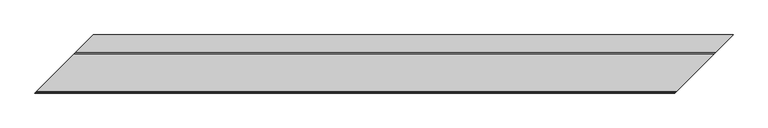
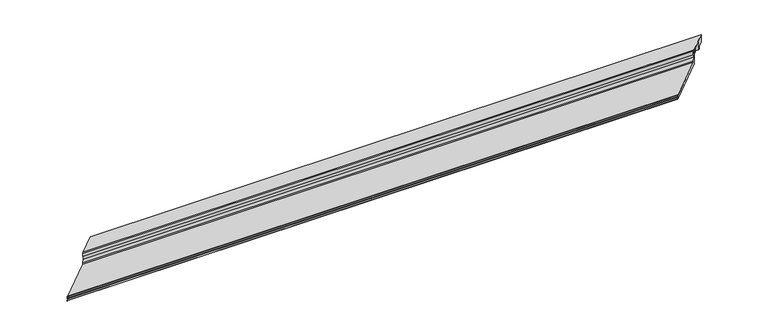
"""IFC4 building model written with IfcOpenShell, lengths in millimetres: proxy geometry."""

import ifcopenshell
import ifcopenshell.guid

model = None  # the IFC model being written
_history = None  # IfcOwnerHistory: only IFC2X3 demands one
_inside = {}  # id of a spatial element -> (the spatial element, [elements in it])
_under = {}  # id of a project, library or spatial element -> (it, [spatial elements below it])
_declared = {}  # id of a project -> (the project, [libraries it declares])
_typed = {}  # id of a type object -> (the type object, [elements of that type])
_made_of = {}  # id of a material, layer set ... -> (it, [elements and type objects made of it])


def new_model(schema):
    """Start an empty IFC model of exactly this schema.

    Asked for "IFC4X3", IfcOpenShell would pick the latest addendum, in which some entities
    have other attributes; the version numbers below select the first issue.
    IFC2X3 requires an IfcOwnerHistory on every rooted entity: one is made here for all.
    """
    global model, _history
    if schema == "IFC4X3":
        model = ifcopenshell.file(schema_version=(4, 3, 0, 0))
    else:
        model = ifcopenshell.file(schema=schema)
    _inside.clear()
    _under.clear()
    _declared.clear()
    _typed.clear()
    _made_of.clear()
    _history = None
    if model.schema == "IFC2X3":
        org = make("IfcOrganization", Name="unknown")
        user = make(
            "IfcPersonAndOrganization",
            ThePerson=make("IfcPerson", FamilyName="unknown"),
            TheOrganization=org,
        )
        app = make(
            "IfcApplication",
            ApplicationDeveloper=org,
            Version="unknown",
            ApplicationFullName="unknown",
            ApplicationIdentifier="unknown",
        )
        _history = make(
            "IfcOwnerHistory",
            OwningUser=user,
            OwningApplication=app,
            ChangeAction="ADDED",
            CreationDate=0,
        )
    return model


def make(cls, **values):
    """One entity of the class cls with the attributes given. An attribute that is None is left unset."""
    return model.create_entity(
        cls, **{name: value for name, value in values.items() if value is not None}
    )


def rooted(cls, **values):
    """An entity with a GlobalId (a new one), such as an element, a storey or a relation."""
    return make(cls, GlobalId=ifcopenshell.guid.new(), OwnerHistory=_history, **values)


def si_unit(unit_type, name, prefix=None):
    """IfcSIUnit, for example si_unit("LENGTHUNIT", "METRE", prefix="MILLI")."""
    return make("IfcSIUnit", UnitType=unit_type, Prefix=prefix, Name=name)


def assignment(units):
    """IfcUnitAssignment: the units of a project."""
    return None if units is None else make("IfcUnitAssignment", Units=units)


def point(xyz):
    """IfcCartesianPoint."""
    return None if xyz is None else make("IfcCartesianPoint", Coordinates=xyz)


def direction(xyz):
    """IfcDirection."""
    return None if xyz is None else make("IfcDirection", DirectionRatios=xyz)


def frame(location, z_axis=None, x_axis=None):
    """IfcAxis2Placement3D, a coordinate frame: its origin and axes. An axis left out is left unset."""
    return make(
        "IfcAxis2Placement3D",
        Location=point(location),
        Axis=direction(z_axis),
        RefDirection=direction(x_axis),
    )


def origin():
    """The frame at (0, 0, 0) with its axes left unset."""
    return frame((0.0, 0.0, 0.0))


def place(relative_to, where):
    """IfcLocalPlacement: puts the frame where relative to a parent placement (None: the world)."""
    return make(
        "IfcLocalPlacement", PlacementRelTo=relative_to, RelativePlacement=where
    )


def context(
    kind, dimensions, precision=None, world=None, true_north=None, identifier=None
):
    """IfcGeometricRepresentationContext, for example the 3D "Model" context."""
    return make(
        "IfcGeometricRepresentationContext",
        ContextIdentifier=identifier,
        ContextType=kind,
        CoordinateSpaceDimension=dimensions,
        Precision=precision,
        WorldCoordinateSystem=world,
        TrueNorth=true_north,
    )


def project(units=None, contexts=None):
    """IfcProject with its units and contexts."""
    return rooted(
        "IfcProject",
        Name="project",
        RepresentationContexts=contexts,
        UnitsInContext=assignment(units),
    )


def spatial(cls, under=None, at=None, **own):
    """A site, building, storey or space (cls), placed at a placement, below another one or the project."""
    s = rooted(cls, ObjectPlacement=at, **own)
    if under is not None:
        _under.setdefault(under.id(), (under, []))[1].append(s)
    return s


def polyline(points):
    """IfcPolyline through the points."""
    return make("IfcPolyline", Points=[point(p) for p in points])


def ellipse_curve(where, semi_axis1, semi_axis2):
    """IfcEllipse in the frame where."""
    return make(
        "IfcEllipse", Position=where, SemiAxis1=semi_axis1, SemiAxis2=semi_axis2
    )


def faces_of(points, faces, orient=None, outer=None):
    """IfcFace entities. A face is a list of loops; a loop is a list of indices into points, from 0.

    orient and outer hold one flag for each loop. By default every Orientation is true, the
    first loop of a face is its IfcFaceOuterBound and the others are IfcFaceBound.
    """
    made = []
    for i, loops in enumerate(faces):
        bounds = []
        for j, loop in enumerate(loops):
            is_outer = j == 0 if outer is None else outer[i][j]
            bounds.append(
                make(
                    "IfcFaceOuterBound" if is_outer else "IfcFaceBound",
                    Bound=make("IfcPolyLoop", Polygon=[points[k] for k in loop]),
                    Orientation=True if orient is None else orient[i][j],
                )
            )
        made.append(make("IfcFace", Bounds=bounds))
    return made


def faceted_brep(points, faces, orient=None, outer=None, voids=None):
    """IfcFacetedBrep: a solid bounded by flat faces; with voids (closed shells), ...WithVoids."""
    shared = [point(p) for p in points]
    hull = make("IfcClosedShell", CfsFaces=faces_of(shared, faces, orient, outer))
    if voids is None:
        return make("IfcFacetedBrep", Outer=hull)
    return make(
        "IfcFacetedBrepWithVoids",
        Outer=hull,
        Voids=[
            make(cls, CfsFaces=faces_of(shared, fs, o, b)) for cls, fs, o, b in voids
        ],
    )


def shape(context_of_items, identifier, shape_type, items):
    """IfcShapeRepresentation: the items that make up one representation, for example the "Body"."""
    return make(
        "IfcShapeRepresentation",
        ContextOfItems=context_of_items,
        RepresentationIdentifier=identifier,
        RepresentationType=shape_type,
        Items=items,
    )


def source(mapping_origin, context_of_items, identifier, shape_type, items):
    """IfcRepresentationMap: a shape defined once, which mapped items show again and again."""
    return make(
        "IfcRepresentationMap",
        MappingOrigin=mapping_origin,
        MappedRepresentation=shape(context_of_items, identifier, shape_type, items),
    )


def transform(
    local_origin,
    x_axis=None,
    y_axis=None,
    z_axis=None,
    scale=None,
    scale2=None,
    scale3=None,
    uniform=True,
):
    """IfcCartesianTransformationOperator3D, or its non-uniform kind. x_axis, y_axis, z_axis: its Axis1, 2, 3."""
    if uniform:
        return make(
            "IfcCartesianTransformationOperator3D",
            Axis1=direction(x_axis),
            Axis2=direction(y_axis),
            LocalOrigin=point(local_origin),
            Scale=scale,
            Axis3=direction(z_axis),
        )
    return make(
        "IfcCartesianTransformationOperator3DnonUniform",
        Axis1=direction(x_axis),
        Axis2=direction(y_axis),
        LocalOrigin=point(local_origin),
        Scale=scale,
        Axis3=direction(z_axis),
        Scale2=scale2,
        Scale3=scale3,
    )


def mapped(mapping_source, mapping_target):
    """IfcMappedItem: shows the shape of a source again, moved by a transform."""
    return make(
        "IfcMappedItem", MappingSource=mapping_source, MappingTarget=mapping_target
    )


def made_of(thing, what):
    """Note that an element or type object is made of a material, layer set ...; save() writes the relation."""
    if what is not None:
        _made_of.setdefault(what.id(), (what, []))[1].append(thing)
    return thing


def element(
    cls,
    number,
    at=None,
    inside=None,
    cuts=None,
    type_object=None,
    material=None,
    context=None,
    identifier="Body",
    shape_type=None,
    held_by="IfcProductDefinitionShape",
    body=None,
    shapes=None,
    **own,
):
    """One element of the class cls, such as IfcWall. Its Tag is "e" and its number.

    at: its placement. inside: the storey or other place that contains it. cuts: it is an
    opening in that element (IfcRelVoidsElement). A single representation is given by context,
    identifier, shape_type and body (its items); several are given by shapes. held_by: the class
    of the entity that holds the representations. save() writes the other relations.
    """
    e = rooted(cls, Tag="e%d" % number, ObjectPlacement=at, **own)
    if body is not None:
        shapes = [shape(context, identifier, shape_type, body)]
    if shapes is not None:
        e.Representation = make(held_by, Representations=shapes)
    if inside is not None:
        _inside.setdefault(inside.id(), (inside, []))[1].append(e)
    if cuts is not None:
        rooted(
            "IfcRelVoidsElement", RelatingBuildingElement=cuts, RelatedOpeningElement=e
        )
    if type_object is not None:
        _typed.setdefault(type_object.id(), (type_object, []))[1].append(e)
    return made_of(e, material)


def aggregate(whole, parts):
    """IfcRelAggregates: a whole, such as a stair, and the parts it consists of."""
    return rooted("IfcRelAggregates", RelatingObject=whole, RelatedObjects=parts)


def save(model, path):
    """Write the relations noted so far, then the file.

    IfcRelAggregates (storeys below a building ...), IfcRelContainedInSpatialStructure (elements
    in a storey), IfcRelDefinesByType, IfcRelAssociatesMaterial and IfcRelDeclares: one each for
    every whole, place, type object, material and project.
    """
    for whole, parts in _under.values():
        aggregate(whole, parts)
    for where, things in _inside.values():
        rooted(
            "IfcRelContainedInSpatialStructure",
            RelatedElements=things,
            RelatingStructure=where,
        )
    for kind, things in _typed.values():
        rooted("IfcRelDefinesByType", RelatedObjects=things, RelatingType=kind)
    for what, things in _made_of.values():
        rooted("IfcRelAssociatesMaterial", RelatedObjects=things, RelatingMaterial=what)
    for by, libraries in _declared.values():
        rooted("IfcRelDeclares", RelatingContext=by, RelatedDefinitions=libraries)
    model.write(path)


def plane_surface(at):
    """IfcPlane: the flat surface through the origin of the frame at, square to its z axis."""
    return make("IfcPlane", Position=at)


def cylinder_surface(at, radius):
    """IfcCylindricalSurface: all points at the distance radius from the z axis of the frame at."""
    return make("IfcCylindricalSurface", Position=at, Radius=radius)


def revolved_surface(curve, axis_point, axis_direction):
    """IfcSurfaceOfRevolution: the curve turned about the line through axis_point along axis_direction."""
    return make(
        "IfcSurfaceOfRevolution",
        SweptCurve=make("IfcArbitraryOpenProfileDef", ProfileType="CURVE", Curve=curve),
        AxisPosition=make("IfcAxis1Placement", Location=point(axis_point), Axis=direction(axis_direction)),
    )


def advanced_brep(points, edges, surfaces, faces):
    """IfcAdvancedBrep: a solid bounded by faces that lie on surfaces and meet in shared edges.

    An edge is (start, end): straight between two places in points (the first is 0);
    or (start, end, curve); or (start, end, curve, False) where it runs against its curve.
    A face is (place in surfaces, loops), or (place, loops, False) where it looks against
    its surface's normal. A loop lists edges by number (the first is 1), with a minus sign
    where the edge is run from its end to its start. The first loop is the outer one.
    """
    corners = [point(p) for p in points]
    vertices = [make("IfcVertexPoint", VertexGeometry=c) for c in corners]
    made = []
    for start, end, *more in edges:
        made.append(
            make(
                "IfcEdgeCurve",
                EdgeStart=vertices[start],
                EdgeEnd=vertices[end],
                EdgeGeometry=more[0] if more else make("IfcPolyline", Points=[corners[start], corners[end]]),
                SameSense=more[1] if len(more) > 1 else True,
            )
        )
    hull = []
    for where, loops, *sense in faces:
        bounds = []
        for j, loop in enumerate(loops):
            ring = [make("IfcOrientedEdge", EdgeElement=made[abs(k) - 1], Orientation=k > 0) for k in loop]
            bounds.append(
                make(
                    "IfcFaceOuterBound" if j == 0 else "IfcFaceBound",
                    Bound=make("IfcEdgeLoop", EdgeList=ring),
                    Orientation=True,
                )
            )
        hull.append(make("IfcAdvancedFace", Bounds=bounds, FaceSurface=surfaces[where], SameSense=sense[0] if sense else True))
    return make("IfcAdvancedBrep", Outer=make("IfcClosedShell", CfsFaces=hull))


def specialty_equipment_c6cf6660(model_context):
    return source(origin(), model_context, "Body", "SolidModel", [
        faceted_brep([(165.632524, 165.632524, 63.5), (235.482524, 235.482524, 63.5), (235.482524, 235.482524, 31.75), (215.241899, 215.241899, 31.75), (215.241899, 215.241899, 19.05), (212.9598677, 212.9598677, 19.05), (212.9598677, 212.9598677, 61.1898306), (175.284524, 175.284524, 61.1898306), (175.284524, 175.284524, 44.45), (165.632524, 165.632524, 44.45), (2826.222374, 235.482524, 63.5), (2756.372374, 165.632524, 63.5), (2756.372374, 165.632524, 44.45), (2766.024374, 175.284524, 44.45), (2766.024374, 175.284524, 61.1898306), (2803.6997178, 212.9598677, 61.1898306), (2803.6997178, 212.9598677, 19.05), (2805.981749, 215.241899, 19.05), (2805.981749, 215.241899, 31.75), (2826.222374, 235.482524, 31.75)], [[[0, 1, 2, 3, 4, 5, 6, 7, 8, 9]], [[10, 11, 12, 13, 14, 15, 16, 17, 18, 19]], [[10, 1, 0, 11]], [[11, 0, 9, 12]], [[12, 9, 8, 13]], [[13, 8, 7, 14]], [[14, 7, 6, 15]], [[15, 6, 5, 16]], [[16, 5, 4, 17]], [[17, 4, 3, 18]], [[18, 3, 2, 19]], [[1, 10, 19, 2]]]),
        advanced_brep(
        [(165.632524, 165.632524, 0.0), (0.0, 0.0, 0.0), (0.0, 0.0, 1.651), (8.368424, 8.368424, 1.7970714), (8.368424, 8.368424, 9.7466904), (7.805541, 7.805541, 10.3095735), (1.0402986, 1.0402986, 10.3095735), (0.5832573, 0.5832573, 11.0269846), (2.843924, 2.843924, 15.875), (5.206124, 5.206124, 15.875), (5.206124, 5.206124, 12.7), (159.282524, 159.282524, 12.7), (159.282524, 159.282524, 19.05), (163.346524, 163.346524, 31.75), (163.346524, 163.346524, 46.0298451), (158.495124, 158.495124, 48.3942822), (158.495124, 158.495124, 63.5), (165.632524, 165.632524, 63.5), (2590.7398501, 0.0, 0.0), (2756.372374, 165.632524, 0.0), (2756.372374, 165.632524, 63.5), (2749.234974, 158.495124, 63.5), (2749.234974, 158.495124, 48.3942822), (2754.086374, 163.346524, 46.0298451), (2754.086374, 163.346524, 31.75), (2750.022374, 159.282524, 19.05), (2750.022374, 159.282524, 12.7), (2595.945974, 5.206124, 12.7), (2595.945974, 5.206124, 15.875), (2593.583774, 2.843924, 15.875), (2591.3231073, 0.5832573, 11.0269846), (2591.7801487, 1.0402986, 10.3095735), (2598.545391, 7.805541, 10.3095735), (2599.108274, 8.368424, 9.7466904), (2599.108274, 8.368424, 1.7970714), (2590.7398501, 0.0, 1.651)],
        [
            (0, 1),
            (1, 2),
            (2, 3),
            (3, 4),
            (4, 5, ellipse_curve(frame((7.805541, 7.805541, 9.7466904), z_axis=(0.7071067811865485, -0.7071067811865466, 0.0), x_axis=(0.7071067811865466, 0.7071067811865485, 0.0)), 0.7960368, 0.562883)),
            (5, 6),
            (6, 7, ellipse_curve(frame((1.0402986, 1.0402986, 10.8138628), z_axis=(-0.7071067811865485, 0.7071067811865466, 0.0), x_axis=(-0.7071067811865466, -0.7071067811865485, 0.0)), 0.7131728, 0.5042893)),
            (7, 8),
            (8, 9),
            (9, 10),
            (10, 11),
            (11, 12),
            (12, 13),
            (13, 14),
            (14, 15),
            (15, 16),
            (16, 17),
            (17, 0),
            (18, 19),
            (19, 20),
            (20, 21),
            (21, 22),
            (22, 23),
            (23, 24),
            (24, 25),
            (25, 26),
            (26, 27),
            (27, 28),
            (28, 29),
            (29, 30),
            (30, 31, ellipse_curve(frame((2591.7801487, 1.0402986, 10.8138628), z_axis=(0.7071067811865469, -0.7071067811865482, 0.0), x_axis=(-0.707106781186548, -0.7071067811865469, 0.0)), 0.7131728, 0.5042893)),
            (31, 32),
            (32, 33, ellipse_curve(frame((2598.545391, 7.805541, 9.7466904), z_axis=(-0.7071067811865469, 0.7071067811865482, 0.0), x_axis=(0.707106781186548, 0.7071067811865469, 0.0)), 0.7960368, 0.562883)),
            (33, 34),
            (34, 35),
            (35, 18),
            (0, 19),
            (18, 1),
            (35, 2),
            (34, 3),
            (33, 4),
            (32, 5),
            (31, 6),
            (30, 7),
            (29, 8),
            (28, 9),
            (27, 10),
            (26, 11),
            (25, 12),
            (24, 13),
            (23, 14),
            (22, 15),
            (21, 16),
            (20, 17),
        ],
        [
            plane_surface(frame((0.0, 0.0, 304.8), z_axis=(-0.7071067811865485, 0.7071067811865466, 0.0), x_axis=(0.0, 0.0, -1.0))),
            plane_surface(frame((3098.7398501, 508.0, 304.8), z_axis=(0.7071067811865469, -0.7071067811865482, 0.0), x_axis=(0.0, 0.0, -1.0))),
            plane_surface(frame((-406.4, 165.632524, 0.0), z_axis=(0.0, 0.0, -1.0), x_axis=(1.0, 0.0, 0.0))),
            plane_surface(frame((-406.4, 0.0, 0.0), z_axis=(0.0, -1.0, 0.0), x_axis=(1.0, 0.0, 0.0))),
            plane_surface(frame((-406.4, 0.0, 1.651), z_axis=(0.0, -0.01745240643728535, 0.9998476951563913), x_axis=(1.0, 0.0, 0.0))),
            plane_surface(frame((-406.4, 8.368424, 1.7970714), z_axis=(0.0, -1.0, 0.0), x_axis=(1.0, 0.0, 0.0))),
            revolved_surface(polyline([(2599.108274019354, 8.368424, 9.7466904), (7.242657980645959, 8.368424, 9.7466904)]), (-406.4, 7.805541, 9.7466904), (1.0, 0.0, 0.0)),
            plane_surface(frame((-406.4, 7.805541, 10.3095735), z_axis=(0.0, 0.0, -1.0), x_axis=(1.0, 0.0, 0.0))),
            cylinder_surface(frame((-406.4, 1.0402986, 10.8138628), z_axis=(-1.0, 0.0, 0.0), x_axis=(0.0, 1.0, 0.0)), 0.5042893),
            plane_surface(frame((-406.4, 0.5832573, 11.0269846), z_axis=(0.0, -0.9063077870366325, 0.4226182617407369), x_axis=(1.0, 0.0, 0.0))),
            plane_surface(frame((-406.4, 2.843924, 15.875), z_axis=(0.0, 0.0, 1.0), x_axis=(1.0, 0.0, 0.0))),
            plane_surface(frame((-406.4, 5.206124, 15.875), z_axis=(0.0, 1.0, 0.0), x_axis=(1.0, 0.0, 0.0))),
            plane_surface(frame((-406.4, 5.206124, 12.7), z_axis=(0.0, 0.0, 1.0), x_axis=(1.0, 0.0, 0.0))),
            plane_surface(frame((-406.4, 159.282524, 12.7), z_axis=(0.0, -1.0, 0.0), x_axis=(1.0, 0.0, 0.0))),
            plane_surface(frame((-406.4, 159.282524, 19.05), z_axis=(0.0, -0.9524241471993259, 0.3047757271037786), x_axis=(1.0, 0.0, 0.0))),
            plane_surface(frame((-406.4, 163.346524, 31.75), z_axis=(0.0, -1.0, 0.0), x_axis=(1.0, 0.0, 0.0))),
            plane_surface(frame((-406.4, 163.346524, 46.0298451), z_axis=(0.0, -0.4381093610951833, -0.8989216805266022), x_axis=(1.0, 0.0, 0.0))),
            plane_surface(frame((-406.4, 158.495124, 48.3942822), z_axis=(0.0, -1.0, 0.0), x_axis=(1.0, 0.0, 0.0))),
            plane_surface(frame((-406.4, 158.495124, 63.5), z_axis=(0.0, 0.0, 1.0), x_axis=(1.0, 0.0, 0.0))),
            plane_surface(frame((-406.4, 165.632524, 63.5), z_axis=(0.0, 1.0, 0.0), x_axis=(1.0, 0.0, 0.0))),
        ],
        [
            (0, [[1, 2, 3, 4, 5, 6, 7, 8, 9, 10, 11, 12, 13, 14, 15, 16, 17, 18]]),
            (1, [[19, 20, 21, 22, 23, 24, 25, 26, 27, 28, 29, 30, 31, 32, 33, 34, 35, 36]]),
            (2, [[37, -19, 38, -1]]),
            (3, [[-38, -36, 39, -2]]),
            (4, [[-39, -35, 40, -3]]),
            (5, [[-40, -34, 41, -4]]),
            (6, [[-41, -33, 42, -5]]),
            (7, [[-42, -32, 43, -6]]),
            (8, [[-43, -31, 44, -7]]),
            (9, [[-44, -30, 45, -8]]),
            (10, [[-45, -29, 46, -9]]),
            (11, [[-46, -28, 47, -10]]),
            (12, [[-47, -27, 48, -11]]),
            (13, [[-48, -26, 49, -12]]),
            (14, [[-49, -25, 50, -13]]),
            (15, [[-50, -24, 51, -14]]),
            (16, [[-51, -23, 52, -15]]),
            (17, [[-52, -22, 53, -16]]),
            (18, [[-53, -21, 54, -17]]),
            (19, [[-37, -18, -54, -20]]),
        ],
    ),
    ])


if __name__ == "__main__":
    model = new_model("IFC4")
    model_context = context("Model", 3, world=origin())
    ifc_project = project(units=[si_unit("LENGTHUNIT", "METRE", prefix="MILLI")], contexts=[model_context])
    site = spatial("IfcSite", under=ifc_project)
    building = spatial("IfcBuilding", under=site)
    placement = place(None, origin())
    specialty_equipment_shape = specialty_equipment_c6cf6660(model_context)
    element("IfcBuildingElementProxy", 1, Name="Specialty Equipment", at=placement, inside=building, context=model_context, shape_type="MappedRepresentation", body=[
        mapped(specialty_equipment_shape, transform((0.0, 0.0, 0.0), x_axis=(1.0, 0.0, 0.0), y_axis=(0.0, 1.0, 0.0), z_axis=(0.0, 0.0, 1.0))),
    ])
    save(model, "model.ifc")
